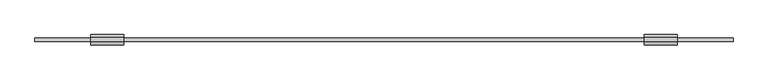
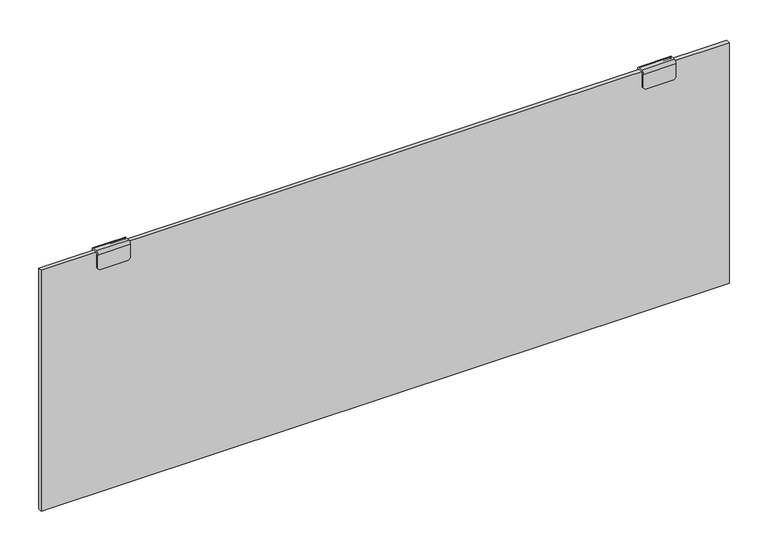
"""IFC4 building model written with IfcOpenShell, lengths in millimetres: furniture geometry."""

from ifc_helpers import new_model, si_unit, frame, origin, place, context, project, spatial, polyline, circle_curve, outline, extrude, source, transform, mapped, element, save
from ifc_brep_helpers import plane_surface, cylinder_surface, revolved_surface, advanced_brep


def furniture_94f7b105(model_context):
    return source(origin(), model_context, "Body", "SolidModel", [
        advanced_brep(
        [(159.1566915, -47.0095352, 926.0205211), (162.3920681, -47.0095352, 922.972524), (206.8545977, -47.0095352, 922.972524), (209.9566976, -47.0095352, 926.0205211), (209.9566976, -47.0095352, 948.2454775), (159.1566915, -47.0095352, 948.2454775), (209.9566976, -44.4695376, 926.0205211), (206.8545977, -44.4695376, 922.972524), (162.3920681, -44.4695376, 922.972524), (159.1566915, -44.4695376, 926.0205211), (159.1566915, -44.4695376, 948.2455163), (209.9566976, -44.4695376, 948.2455163), (209.9566976, -42.5645376, 950.1505163), (209.9566976, -35.8081359, 950.1505163), (209.9566976, -33.9031359, 948.2455163), (209.9566976, -33.9031359, 926.0205033), (209.9566976, -31.363136, 926.0205033), (209.9566976, -31.363136, 948.2454775), (209.9566976, -35.808136, 952.6904775), (209.9566976, -42.5645352, 952.6904775), (159.1566915, -42.5645352, 952.6904775), (159.1566915, -35.808136, 952.6904775), (159.1566915, -31.363136, 948.2454775), (159.1566915, -31.363136, 926.0205382), (159.1566915, -33.9031359, 926.0205382), (159.1566915, -33.9031359, 948.2455163), (159.1566915, -35.8081359, 950.1505163), (159.1566915, -42.5645376, 950.1505163), (206.8546158, -31.363136, 922.972524), (162.3920863, -31.363136, 922.972524), (162.3920863, -33.9031359, 922.972524), (206.8546158, -33.9031359, 922.972524)],
        [
            (0, 1),
            (1, 2),
            (2, 3),
            (3, 4),
            (4, 5),
            (5, 0),
            (6, 7),
            (7, 8),
            (8, 9),
            (9, 10),
            (10, 11),
            (11, 6),
            (0, 9),
            (8, 1),
            (7, 2),
            (6, 3),
            (11, 12, circle_curve(frame((209.9566976, -42.5645376, 948.2455163), z_axis=(-1.0, 0.0, 0.0), x_axis=(0.0, -1.0, 0.0)), 1.905)),
            (12, 13),
            (13, 14, circle_curve(frame((209.9566976, -35.8081359, 948.2455163), z_axis=(-1.0, 0.0, 0.0), x_axis=(0.0, -1.0, 0.0)), 1.905)),
            (14, 15),
            (15, 16),
            (16, 17),
            (17, 18, circle_curve(frame((209.9566976, -35.808136, 948.2454775), z_axis=(1.0, 0.0, 0.0), x_axis=(0.0, -1.0, 0.0)), 4.445)),
            (18, 19),
            (19, 4, circle_curve(frame((209.9566976, -42.5645352, 948.2454775), z_axis=(1.0, 0.0, 0.0), x_axis=(0.0, -1.0, 0.0)), 4.445)),
            (5, 20, circle_curve(frame((159.1566915, -42.5645352, 948.2454775), z_axis=(-1.0, 0.0, 0.0), x_axis=(0.0, -1.0, 0.0)), 4.445)),
            (20, 21),
            (21, 22, circle_curve(frame((159.1566915, -35.808136, 948.2454775), z_axis=(-1.0, 0.0, 0.0), x_axis=(0.0, -1.0, 0.0)), 4.445)),
            (22, 23),
            (23, 24),
            (24, 25),
            (25, 26, circle_curve(frame((159.1566915, -35.8081359, 948.2455163), z_axis=(1.0, 0.0, 0.0), x_axis=(0.0, -1.0, 0.0)), 1.905)),
            (26, 27),
            (27, 10, circle_curve(frame((159.1566915, -42.5645376, 948.2455163), z_axis=(1.0, 0.0, 0.0), x_axis=(0.0, -1.0, 0.0)), 1.905)),
            (22, 17),
            (16, 28),
            (28, 29),
            (29, 23),
            (24, 30),
            (30, 31),
            (31, 15),
            (14, 25),
            (13, 26),
            (12, 27),
            (19, 20),
            (18, 21),
            (31, 28),
            (30, 29),
        ],
        [
            plane_surface(frame((162.3920681, -47.0095352, 922.972524), z_axis=(0.0, -1.0, 0.0), x_axis=(0.7278701739441599, 0.0, -0.6857149625627973))),
            plane_surface(frame((162.3920681, -44.4695376, 922.972524), z_axis=(0.0, 1.0, 0.0), x_axis=(-0.7278701739441599, 0.0, 0.6857149625627973))),
            plane_surface(frame((159.1566915, -47.0095352, 926.0205211), z_axis=(-0.6857149625627973, 0.0, -0.7278701739441599), x_axis=(0.0, 1.0, 0.0))),
            plane_surface(frame((162.3920681, -47.0095352, 922.972524), z_axis=(0.0, 0.0, -1.0), x_axis=(0.0, 1.0, 0.0))),
            plane_surface(frame((206.8545977, -47.0095352, 922.972524), z_axis=(0.7008591983056989, 0.0, -0.7132996454157909), x_axis=(0.0, 1.0, 0.0))),
            plane_surface(frame((209.9566976, -47.0095352, 926.0205211), z_axis=(1.0, 0.0, 0.0), x_axis=(0.0, 1.0, 0.0))),
            plane_surface(frame((159.1566915, -47.0095352, 937.4505284), z_axis=(-1.0, 0.0, 0.0), x_axis=(0.0, 1.0, 0.0))),
            plane_surface(frame((1009.4979017, -31.363136, 948.2454775), z_axis=(0.0, 1.0, 0.0), x_axis=(1.0, 0.0, 0.0))),
            plane_surface(frame((1009.4979017, -33.9031359, 937.4505284), z_axis=(0.0, -1.0, 0.0), x_axis=(1.0, 0.0, 0.0))),
            revolved_surface(polyline([(209.9566976, -37.713135900000005, 948.2455163), (159.1566915, -37.713135900000005, 948.2455163)]), (209.9566976, -35.8081359, 948.2455163), (1.0, 0.0, 0.0)),
            plane_surface(frame((159.1566915, -35.8081359, 950.1505163), z_axis=(0.0, 0.0, -1.0), x_axis=(1.0, 0.0, 0.0))),
            revolved_surface(polyline([(209.9566976, -44.4695376, 948.2455163), (159.1566915, -44.4695376, 948.2455163)]), (209.9566976, -42.5645376, 948.2455163), (1.0, 0.0, 0.0)),
            cylinder_surface(frame((209.9566976, -42.5645352, 948.2454775), z_axis=(-1.0, 0.0, 0.0), x_axis=(0.0, -1.0, 0.0)), 4.445),
            plane_surface(frame((159.1566915, -42.5645352, 952.6904775), z_axis=(0.0, 1.0818415181777114e-12, 1.0), x_axis=(1.0, 0.0, 0.0))),
            cylinder_surface(frame((209.9566976, -35.808136, 948.2454775), z_axis=(-1.0, 0.0, 0.0), x_axis=(0.0, -1.0, 0.0)), 4.445),
            plane_surface(frame((209.9566976, -31.363136, 926.0205033), z_axis=(0.7008591983048311, 0.0, -0.7132996454166436), x_axis=(0.0, -1.0, 0.0))),
            plane_surface(frame((206.8546158, -31.363136, 922.972524), z_axis=(0.0, 0.0, -1.0), x_axis=(0.0, -1.0, 0.0))),
            plane_surface(frame((162.3920863, -31.363136, 922.972524), z_axis=(-0.6857149625627966, 0.0, -0.7278701739441605), x_axis=(0.0, -1.0, 0.0))),
        ],
        [
            (0, [[1, 2, 3, 4, 5, 6]]),
            (1, [[7, 8, 9, 10, 11, 12]]),
            (2, [[-1, 13, -9, 14]]),
            (3, [[-2, -14, -8, 15]]),
            (4, [[-3, -15, -7, 16]]),
            (5, [[-16, -12, 17, 18, 19, 20, 21, 22, 23, 24, 25, -4]]),
            (6, [[-13, -6, 26, 27, 28, 29, 30, 31, 32, 33, 34, -10]]),
            (7, [[-29, 35, -22, 36, 37, 38]]),
            (8, [[-31, 39, 40, 41, -20, 42]]),
            (9, [[-32, -42, -19, 43]]),
            (10, [[-33, -43, -18, 44]]),
            (11, [[-34, -44, -17, -11]]),
            (12, [[-26, -5, -25, 45]]),
            (13, [[-27, -45, -24, 46]]),
            (14, [[-28, -46, -23, -35]]),
            (15, [[-36, -21, -41, 47]]),
            (16, [[-37, -47, -40, 48]]),
            (17, [[-38, -48, -39, -30]]),
        ],
    ),
        advanced_brep(
        [(1009.4979017, -47.0095352, 926.0205382), (1012.7332965, -47.0095352, 922.972524), (1057.1958261, -47.0095352, 922.972524), (1060.2979259, -47.0095352, 926.0205211), (1060.2979259, -47.0095352, 948.2454775), (1009.4979017, -47.0095352, 948.2454775), (1060.2979259, -44.4695376, 926.0205211), (1057.1958261, -44.4695376, 922.972524), (1012.7332965, -44.4695376, 922.972524), (1009.4979017, -44.4695376, 926.0205382), (1009.4979017, -44.4695376, 948.2455163), (1060.2979259, -44.4695376, 948.2455163), (1060.2979259, -42.5645376, 950.1505163), (1060.2979259, -35.8081359, 950.1505163), (1060.2979259, -33.9031359, 948.2455163), (1060.2979259, -33.9031359, 926.0205211), (1060.2979259, -31.363136, 926.0205211), (1060.2979259, -31.363136, 948.2454775), (1060.2979259, -35.808136, 952.6904775), (1060.2979259, -42.5645352, 952.6904775), (1009.4979017, -42.5645352, 952.6904775), (1009.4979017, -35.808136, 952.6904775), (1009.4979017, -31.363136, 948.2454775), (1009.4979017, -31.363136, 926.0205382), (1009.4979017, -33.9031359, 926.0205382), (1009.4979017, -33.9031359, 948.2455163), (1009.4979017, -35.8081359, 950.1505163), (1009.4979017, -42.5645376, 950.1505163), (1057.1958261, -31.363136, 922.972524), (1012.7332965, -31.363136, 922.972524), (1012.7332965, -33.9031359, 922.972524), (1057.1958261, -33.9031359, 922.972524)],
        [
            (0, 1),
            (1, 2),
            (2, 3),
            (3, 4),
            (4, 5),
            (5, 0),
            (6, 7),
            (7, 8),
            (8, 9),
            (9, 10),
            (10, 11),
            (11, 6),
            (0, 9),
            (8, 1),
            (7, 2),
            (6, 3),
            (11, 12, circle_curve(frame((1060.2979259, -42.5645376, 948.2455163), z_axis=(-1.0, 0.0, 0.0), x_axis=(0.0, -1.0, 0.0)), 1.905)),
            (12, 13),
            (13, 14, circle_curve(frame((1060.2979259, -35.8081359, 948.2455163), z_axis=(-1.0, 0.0, 0.0), x_axis=(0.0, -1.0, 0.0)), 1.905)),
            (14, 15),
            (15, 16),
            (16, 17),
            (17, 18, circle_curve(frame((1060.2979259, -35.808136, 948.2454775), z_axis=(1.0, 0.0, 0.0), x_axis=(0.0, -1.0, 0.0)), 4.445)),
            (18, 19),
            (19, 4, circle_curve(frame((1060.2979259, -42.5645352, 948.2454775), z_axis=(1.0, 0.0, 0.0), x_axis=(0.0, -1.0, 0.0)), 4.445)),
            (5, 20, circle_curve(frame((1009.4979017, -42.5645352, 948.2454775), z_axis=(-1.0, 0.0, 0.0), x_axis=(0.0, -1.0, 0.0)), 4.445)),
            (20, 21),
            (21, 22, circle_curve(frame((1009.4979017, -35.808136, 948.2454775), z_axis=(-1.0, 0.0, 0.0), x_axis=(0.0, -1.0, 0.0)), 4.445)),
            (22, 23),
            (23, 24),
            (24, 25),
            (25, 26, circle_curve(frame((1009.4979017, -35.8081359, 948.2455163), z_axis=(1.0, 0.0, 0.0), x_axis=(0.0, -1.0, 0.0)), 1.905)),
            (26, 27),
            (27, 10, circle_curve(frame((1009.4979017, -42.5645376, 948.2455163), z_axis=(1.0, 0.0, 0.0), x_axis=(0.0, -1.0, 0.0)), 1.905)),
            (25, 14),
            (13, 26),
            (12, 27),
            (19, 20),
            (18, 21),
            (17, 22),
            (16, 28),
            (28, 29),
            (29, 23),
            (24, 30),
            (30, 31),
            (31, 15),
            (31, 28),
            (30, 29),
        ],
        [
            plane_surface(frame((162.3920681, -47.0095352, 922.972524), z_axis=(0.0, -1.0, 0.0), x_axis=(0.7278701739441599, 0.0, -0.6857149625627973))),
            plane_surface(frame((162.3920681, -44.4695376, 922.972524), z_axis=(0.0, 1.0, 0.0), x_axis=(-0.7278701739441599, 0.0, 0.6857149625627973))),
            plane_surface(frame((1009.4979017, -47.0095352, 926.0205382), z_axis=(-0.6857149625628121, 0.0, -0.727870173944146), x_axis=(0.0, 1.0, 0.0))),
            plane_surface(frame((1012.7332965, -47.0095352, 922.972524), z_axis=(0.0, 0.0, -1.0), x_axis=(0.0, 1.0, 0.0))),
            plane_surface(frame((1057.1958261, -47.0095352, 922.972524), z_axis=(0.7008591983057134, 0.0, -0.7132996454157766), x_axis=(0.0, 1.0, 0.0))),
            plane_surface(frame((1060.2979259, -47.0095352, 926.0205211), z_axis=(1.0, 0.0, 0.0), x_axis=(0.0, 1.0, 0.0))),
            plane_surface(frame((1009.4979017, -47.0095352, 937.4505284), z_axis=(-1.0, 0.0, 0.0), x_axis=(0.0, 1.0, 0.0))),
            revolved_surface(polyline([(1060.2979259, -37.713135900000005, 948.2455163), (1009.4979017, -37.713135900000005, 948.2455163)]), (1060.2979259, -35.8081359, 948.2455163), (1.0, 0.0, 0.0)),
            plane_surface(frame((1009.4979017, -35.8081359, 950.1505163), z_axis=(0.0, 0.0, -1.0), x_axis=(1.0, 0.0, 0.0))),
            revolved_surface(polyline([(1060.2979259, -44.4695376, 948.2455163), (1009.4979017, -44.4695376, 948.2455163)]), (1060.2979259, -42.5645376, 948.2455163), (1.0, 0.0, 0.0)),
            cylinder_surface(frame((1060.2979259, -42.5645352, 948.2454775), z_axis=(-1.0, 0.0, 0.0), x_axis=(0.0, -1.0, 0.0)), 4.445),
            plane_surface(frame((1009.4979017, -42.5645352, 952.6904775), z_axis=(0.0, 1.442455357570281e-12, 1.0), x_axis=(1.0, 0.0, 0.0))),
            cylinder_surface(frame((1060.2979259, -35.808136, 948.2454775), z_axis=(-1.0, 0.0, 0.0), x_axis=(0.0, -1.0, 0.0)), 4.445),
            plane_surface(frame((1009.4979017, -31.363136, 948.2454775), z_axis=(0.0, 1.0, 0.0), x_axis=(1.0, 0.0, 0.0))),
            plane_surface(frame((1009.4979017, -33.9031359, 937.4505284), z_axis=(0.0, -1.0, 0.0), x_axis=(1.0, 0.0, 0.0))),
            plane_surface(frame((1060.2979259, -31.363136, 926.0205211), z_axis=(0.7008591983047653, 0.0, -0.7132996454167082), x_axis=(0.0, -1.0, 0.0))),
            plane_surface(frame((1057.1958261, -31.363136, 922.972524), z_axis=(0.0, 0.0, -1.0), x_axis=(0.0, -1.0, 0.0))),
            plane_surface(frame((1012.7332965, -31.363136, 922.972524), z_axis=(-0.6857149625627966, 0.0, -0.7278701739441605), x_axis=(0.0, -1.0, 0.0))),
        ],
        [
            (0, [[1, 2, 3, 4, 5, 6]]),
            (1, [[7, 8, 9, 10, 11, 12]]),
            (2, [[-1, 13, -9, 14]]),
            (3, [[-2, -14, -8, 15]]),
            (4, [[-3, -15, -7, 16]]),
            (5, [[-16, -12, 17, 18, 19, 20, 21, 22, 23, 24, 25, -4]]),
            (6, [[-13, -6, 26, 27, 28, 29, 30, 31, 32, 33, 34, -10]]),
            (7, [[-32, 35, -19, 36]]),
            (8, [[-33, -36, -18, 37]]),
            (9, [[-34, -37, -17, -11]]),
            (10, [[-26, -5, -25, 38]]),
            (11, [[-27, -38, -24, 39]]),
            (12, [[-28, -39, -23, 40]]),
            (13, [[-29, -40, -22, 41, 42, 43]]),
            (14, [[-31, 44, 45, 46, -20, -35]]),
            (15, [[-41, -21, -46, 47]]),
            (16, [[-42, -47, -45, 48]]),
            (17, [[-43, -48, -44, -30]]),
        ],
    ),
        extrude(outline(polyline([(1146.0228915, -42.1835353), (73.4316915, -42.1835353), (73.4316915, -36.189136), (1146.0228915, -36.189136), (1146.0228915, -42.1835353)])), frame((0.0, 0.0, 553.4787163), z_axis=(0.0, 0.0, 1.0), x_axis=(1.0, 0.0, 0.0)), (0.0, 0.0, 1.0), 396.6718),
    ])


if __name__ == "__main__":
    model = new_model("IFC4")
    model_context = context("Model", 3, world=origin())
    ifc_project = project(units=[si_unit("LENGTHUNIT", "METRE", prefix="MILLI")], contexts=[model_context])
    site = spatial("IfcSite", under=ifc_project)
    building = spatial("IfcBuilding", under=site)
    placement = place(None, origin())
    furniture_shape = furniture_94f7b105(model_context)
    element("IfcFurniture", 1, at=placement, inside=building, context=model_context, shape_type="MappedRepresentation", body=[
        mapped(furniture_shape, transform((0.0, 0.0, 0.0), x_axis=(1.0, 0.0, 0.0), y_axis=(0.0, 1.0, 0.0), z_axis=(0.0, 0.0, 1.0))),
    ])
    save(model, "model.ifc")
